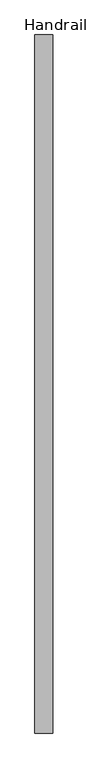
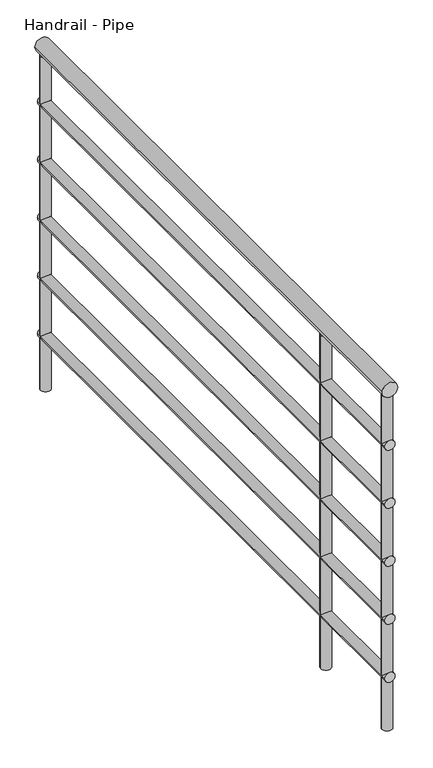
"""IFC4 building model written with IfcOpenShell, lengths in millimetres: railing geometry, Handrail - Pipe."""

from ifc_helpers import new_model, si_unit, point, frame, frame_2d, origin, place, context, project, spatial, circle_curve, trimmed, segment, composite_curve, outline, extrude, source, transform, mapped, element, save


def handrail_pipe_6bbc4114(model_context):
    return source(origin(), model_context, "Body", "SweptSolid", [
        extrude(outline(composite_curve([segment(trimmed(circle_curve(frame_2d((3935.35, -9206.0013164)), 19.05), [point((3935.35, -9186.9513164))], [point((3935.35, -9225.0513164))], False, "CARTESIAN"), True, "CONTINUOUS"), segment(trimmed(circle_curve(frame_2d((3935.35, -9206.0013164)), 19.05), [point((3935.35, -9225.0513164))], [point((3935.35, -9186.9513164))], False, "CARTESIAN"), True, "CONTINUOUS")], self_intersect=False)), frame((0.0, 27.1062192, 0.0), z_axis=(0.0, 1.0, 0.0), x_axis=(0.0, 0.0, 1.0)), (0.0, 0.0, 1.0), 1495.0),
        extrude(outline(composite_curve([segment(trimmed(circle_curve(frame_2d((3789.3, -9206.0013164)), 12.7), [point((3789.3, -9193.3013164))], [point((3789.3, -9218.7013164))], False, "CARTESIAN"), True, "CONTINUOUS"), segment(trimmed(circle_curve(frame_2d((3789.3, -9206.0013164)), 12.7), [point((3789.3, -9218.7013164))], [point((3789.3, -9193.3013164))], False, "CARTESIAN"), True, "CONTINUOUS")], self_intersect=False)), frame((0.0, 27.1062192, 0.0), z_axis=(0.0, 1.0, 0.0), x_axis=(0.0, 0.0, 1.0)), (0.0, 0.0, 1.0), 1495.0),
        extrude(outline(composite_curve([segment(trimmed(circle_curve(frame_2d((3636.9, -9206.0013164)), 12.7), [point((3636.9, -9193.3013164))], [point((3636.9, -9218.7013164))], False, "CARTESIAN"), True, "CONTINUOUS"), segment(trimmed(circle_curve(frame_2d((3636.9, -9206.0013164)), 12.7), [point((3636.9, -9218.7013164))], [point((3636.9, -9193.3013164))], False, "CARTESIAN"), True, "CONTINUOUS")], self_intersect=False)), frame((0.0, 27.1062192, 0.0), z_axis=(0.0, 1.0, 0.0), x_axis=(0.0, 0.0, 1.0)), (0.0, 0.0, 1.0), 1495.0),
        extrude(outline(composite_curve([segment(trimmed(circle_curve(frame_2d((3484.5, -9206.0013164)), 12.7), [point((3484.5, -9193.3013164))], [point((3484.5, -9218.7013164))], False, "CARTESIAN"), True, "CONTINUOUS"), segment(trimmed(circle_curve(frame_2d((3484.5, -9206.0013164)), 12.7), [point((3484.5, -9218.7013164))], [point((3484.5, -9193.3013164))], False, "CARTESIAN"), True, "CONTINUOUS")], self_intersect=False)), frame((0.0, 27.1062192, 0.0), z_axis=(0.0, 1.0, 0.0), x_axis=(0.0, 0.0, 1.0)), (0.0, 0.0, 1.0), 1495.0),
        extrude(outline(composite_curve([segment(trimmed(circle_curve(frame_2d((3332.1, -9206.0013164)), 12.7), [point((3332.1, -9193.3013164))], [point((3332.1, -9218.7013164))], False, "CARTESIAN"), True, "CONTINUOUS"), segment(trimmed(circle_curve(frame_2d((3332.1, -9206.0013164)), 12.7), [point((3332.1, -9218.7013164))], [point((3332.1, -9193.3013164))], False, "CARTESIAN"), True, "CONTINUOUS")], self_intersect=False)), frame((0.0, 27.1062192, 0.0), z_axis=(0.0, 1.0, 0.0), x_axis=(0.0, 0.0, 1.0)), (0.0, 0.0, 1.0), 1495.0),
        extrude(outline(composite_curve([segment(trimmed(circle_curve(frame_2d((3179.7, -9206.0013164)), 12.7), [point((3179.7, -9193.3013164))], [point((3179.7, -9218.7013164))], False, "CARTESIAN"), True, "CONTINUOUS"), segment(trimmed(circle_curve(frame_2d((3179.7, -9206.0013164)), 12.7), [point((3179.7, -9218.7013164))], [point((3179.7, -9193.3013164))], False, "CARTESIAN"), True, "CONTINUOUS")], self_intersect=False)), frame((0.0, 27.1062192, 0.0), z_axis=(0.0, 1.0, 0.0), x_axis=(0.0, 0.0, 1.0)), (0.0, 0.0, 1.0), 1495.0),
        extrude(outline(composite_curve([segment(trimmed(circle_curve(frame_2d((-9206.0013164, 302.9062192)), 12.7), [point((-9193.3013164, 302.9062192))], [point((-9218.7013164, 302.9062192))], False, "CARTESIAN"), True, "CONTINUOUS"), segment(trimmed(circle_curve(frame_2d((-9206.0013164, 302.9062192)), 12.7), [point((-9218.7013164, 302.9062192))], [point((-9193.3013164, 302.9062192))], False, "CARTESIAN"), True, "CONTINUOUS")], self_intersect=False)), frame((0.0, 0.0, 3040.0), z_axis=(0.0, 0.0, 1.0), x_axis=(1.0, 0.0, 0.0)), (0.0, 0.0, 1.0), 876.3),
        extrude(outline(composite_curve([segment(trimmed(circle_curve(frame_2d((-9206.0013164, 39.8062192)), 12.7), [point((-9193.3013164, 39.8062192))], [point((-9218.7013164, 39.8062192))], False, "CARTESIAN"), True, "CONTINUOUS"), segment(trimmed(circle_curve(frame_2d((-9206.0013164, 39.8062192)), 12.7), [point((-9218.7013164, 39.8062192))], [point((-9193.3013164, 39.8062192))], False, "CARTESIAN"), True, "CONTINUOUS")], self_intersect=False)), frame((0.0, 0.0, 3040.0), z_axis=(0.0, 0.0, 1.0), x_axis=(1.0, 0.0, 0.0)), (0.0, 0.0, 1.0), 876.3),
        extrude(outline(composite_curve([segment(trimmed(circle_curve(frame_2d((-9206.0013164, 1509.4062192)), 12.7), [point((-9193.3013164, 1509.4062192))], [point((-9218.7013164, 1509.4062192))], False, "CARTESIAN"), True, "CONTINUOUS"), segment(trimmed(circle_curve(frame_2d((-9206.0013164, 1509.4062192)), 12.7), [point((-9218.7013164, 1509.4062192))], [point((-9193.3013164, 1509.4062192))], False, "CARTESIAN"), True, "CONTINUOUS")], self_intersect=False)), frame((0.0, 0.0, 3040.0), z_axis=(0.0, 0.0, 1.0), x_axis=(1.0, 0.0, 0.0)), (0.0, 0.0, 1.0), 876.3),
    ])


if __name__ == "__main__":
    model = new_model("IFC4")
    model_context = context("Model", 3, world=origin())
    ifc_project = project(units=[si_unit("LENGTHUNIT", "METRE", prefix="MILLI")], contexts=[model_context])
    site = spatial("IfcSite", under=ifc_project)
    building = spatial("IfcBuilding", under=site)
    placement = place(None, origin())
    handrail_pipe_shape = handrail_pipe_6bbc4114(model_context)
    element("IfcRailing", 1, ObjectType="Handrail - Pipe", at=placement, inside=building, context=model_context, shape_type="MappedRepresentation", body=[
        mapped(handrail_pipe_shape, transform((0.0, 0.0, 0.0), x_axis=(1.0, 0.0, 0.0), y_axis=(0.0, 1.0, 0.0), z_axis=(0.0, 0.0, 1.0))),
    ])
    save(model, "model.ifc")
